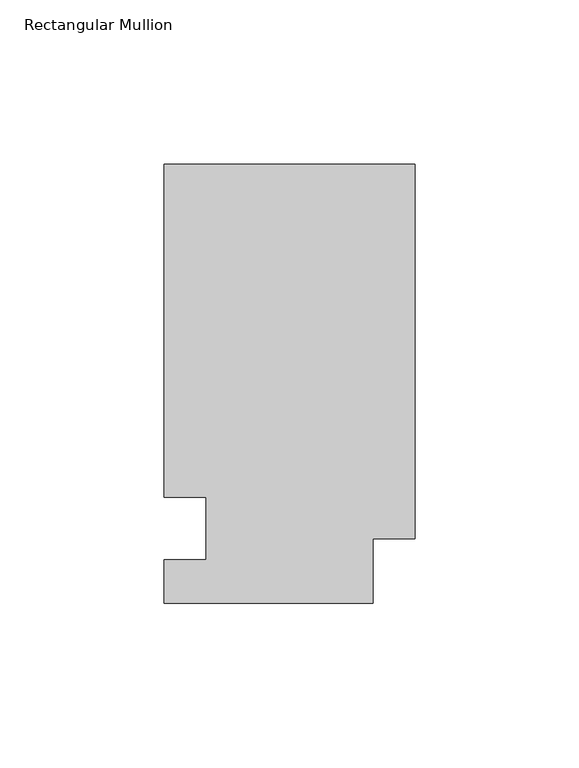
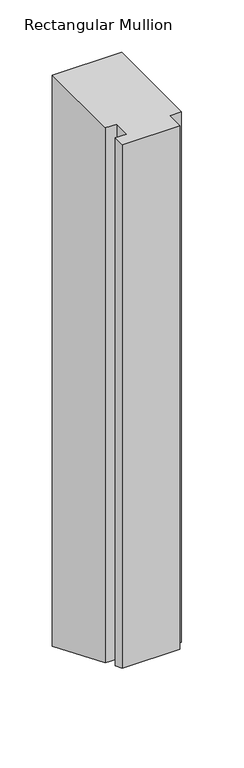
"""IFC4 building model written with IfcOpenShell, lengths in millimetres: member geometry, Rectangular Mullion."""

import ifcopenshell
import ifcopenshell.guid

model = None  # the IFC model being written
_history = None  # IfcOwnerHistory: only IFC2X3 demands one
_inside = {}  # id of a spatial element -> (the spatial element, [elements in it])
_under = {}  # id of a project, library or spatial element -> (it, [spatial elements below it])
_declared = {}  # id of a project -> (the project, [libraries it declares])
_typed = {}  # id of a type object -> (the type object, [elements of that type])
_made_of = {}  # id of a material, layer set ... -> (it, [elements and type objects made of it])


def new_model(schema):
    """Start an empty IFC model of exactly this schema.

    Asked for "IFC4X3", IfcOpenShell would pick the latest addendum, in which some entities
    have other attributes; the version numbers below select the first issue.
    IFC2X3 requires an IfcOwnerHistory on every rooted entity: one is made here for all.
    """
    global model, _history
    if schema == "IFC4X3":
        model = ifcopenshell.file(schema_version=(4, 3, 0, 0))
    else:
        model = ifcopenshell.file(schema=schema)
    _inside.clear()
    _under.clear()
    _declared.clear()
    _typed.clear()
    _made_of.clear()
    _history = None
    if model.schema == "IFC2X3":
        org = make("IfcOrganization", Name="unknown")
        user = make(
            "IfcPersonAndOrganization",
            ThePerson=make("IfcPerson", FamilyName="unknown"),
            TheOrganization=org,
        )
        app = make(
            "IfcApplication",
            ApplicationDeveloper=org,
            Version="unknown",
            ApplicationFullName="unknown",
            ApplicationIdentifier="unknown",
        )
        _history = make(
            "IfcOwnerHistory",
            OwningUser=user,
            OwningApplication=app,
            ChangeAction="ADDED",
            CreationDate=0,
        )
    return model


def make(cls, **values):
    """One entity of the class cls with the attributes given. An attribute that is None is left unset."""
    return model.create_entity(
        cls, **{name: value for name, value in values.items() if value is not None}
    )


def rooted(cls, **values):
    """An entity with a GlobalId (a new one), such as an element, a storey or a relation."""
    return make(cls, GlobalId=ifcopenshell.guid.new(), OwnerHistory=_history, **values)


def si_unit(unit_type, name, prefix=None):
    """IfcSIUnit, for example si_unit("LENGTHUNIT", "METRE", prefix="MILLI")."""
    return make("IfcSIUnit", UnitType=unit_type, Prefix=prefix, Name=name)


def assignment(units):
    """IfcUnitAssignment: the units of a project."""
    return None if units is None else make("IfcUnitAssignment", Units=units)


def point(xyz):
    """IfcCartesianPoint."""
    return None if xyz is None else make("IfcCartesianPoint", Coordinates=xyz)


def direction(xyz):
    """IfcDirection."""
    return None if xyz is None else make("IfcDirection", DirectionRatios=xyz)


def frame(location, z_axis=None, x_axis=None):
    """IfcAxis2Placement3D, a coordinate frame: its origin and axes. An axis left out is left unset."""
    return make(
        "IfcAxis2Placement3D",
        Location=point(location),
        Axis=direction(z_axis),
        RefDirection=direction(x_axis),
    )


def origin():
    """The frame at (0, 0, 0) with its axes left unset."""
    return frame((0.0, 0.0, 0.0))


def place(relative_to, where):
    """IfcLocalPlacement: puts the frame where relative to a parent placement (None: the world)."""
    return make(
        "IfcLocalPlacement", PlacementRelTo=relative_to, RelativePlacement=where
    )


def context(
    kind, dimensions, precision=None, world=None, true_north=None, identifier=None
):
    """IfcGeometricRepresentationContext, for example the 3D "Model" context."""
    return make(
        "IfcGeometricRepresentationContext",
        ContextIdentifier=identifier,
        ContextType=kind,
        CoordinateSpaceDimension=dimensions,
        Precision=precision,
        WorldCoordinateSystem=world,
        TrueNorth=true_north,
    )


def project(units=None, contexts=None):
    """IfcProject with its units and contexts."""
    return rooted(
        "IfcProject",
        Name="project",
        RepresentationContexts=contexts,
        UnitsInContext=assignment(units),
    )


def spatial(cls, under=None, at=None, **own):
    """A site, building, storey or space (cls), placed at a placement, below another one or the project."""
    s = rooted(cls, ObjectPlacement=at, **own)
    if under is not None:
        _under.setdefault(under.id(), (under, []))[1].append(s)
    return s


def faces_of(points, faces, orient=None, outer=None):
    """IfcFace entities. A face is a list of loops; a loop is a list of indices into points, from 0.

    orient and outer hold one flag for each loop. By default every Orientation is true, the
    first loop of a face is its IfcFaceOuterBound and the others are IfcFaceBound.
    """
    made = []
    for i, loops in enumerate(faces):
        bounds = []
        for j, loop in enumerate(loops):
            is_outer = j == 0 if outer is None else outer[i][j]
            bounds.append(
                make(
                    "IfcFaceOuterBound" if is_outer else "IfcFaceBound",
                    Bound=make("IfcPolyLoop", Polygon=[points[k] for k in loop]),
                    Orientation=True if orient is None else orient[i][j],
                )
            )
        made.append(make("IfcFace", Bounds=bounds))
    return made


def faceted_brep(points, faces, orient=None, outer=None, voids=None):
    """IfcFacetedBrep: a solid bounded by flat faces; with voids (closed shells), ...WithVoids."""
    shared = [point(p) for p in points]
    hull = make("IfcClosedShell", CfsFaces=faces_of(shared, faces, orient, outer))
    if voids is None:
        return make("IfcFacetedBrep", Outer=hull)
    return make(
        "IfcFacetedBrepWithVoids",
        Outer=hull,
        Voids=[
            make(cls, CfsFaces=faces_of(shared, fs, o, b)) for cls, fs, o, b in voids
        ],
    )


def shape(context_of_items, identifier, shape_type, items):
    """IfcShapeRepresentation: the items that make up one representation, for example the "Body"."""
    return make(
        "IfcShapeRepresentation",
        ContextOfItems=context_of_items,
        RepresentationIdentifier=identifier,
        RepresentationType=shape_type,
        Items=items,
    )


def source(mapping_origin, context_of_items, identifier, shape_type, items):
    """IfcRepresentationMap: a shape defined once, which mapped items show again and again."""
    return make(
        "IfcRepresentationMap",
        MappingOrigin=mapping_origin,
        MappedRepresentation=shape(context_of_items, identifier, shape_type, items),
    )


def transform(
    local_origin,
    x_axis=None,
    y_axis=None,
    z_axis=None,
    scale=None,
    scale2=None,
    scale3=None,
    uniform=True,
):
    """IfcCartesianTransformationOperator3D, or its non-uniform kind. x_axis, y_axis, z_axis: its Axis1, 2, 3."""
    if uniform:
        return make(
            "IfcCartesianTransformationOperator3D",
            Axis1=direction(x_axis),
            Axis2=direction(y_axis),
            LocalOrigin=point(local_origin),
            Scale=scale,
            Axis3=direction(z_axis),
        )
    return make(
        "IfcCartesianTransformationOperator3DnonUniform",
        Axis1=direction(x_axis),
        Axis2=direction(y_axis),
        LocalOrigin=point(local_origin),
        Scale=scale,
        Axis3=direction(z_axis),
        Scale2=scale2,
        Scale3=scale3,
    )


def mapped(mapping_source, mapping_target):
    """IfcMappedItem: shows the shape of a source again, moved by a transform."""
    return make(
        "IfcMappedItem", MappingSource=mapping_source, MappingTarget=mapping_target
    )


def made_of(thing, what):
    """Note that an element or type object is made of a material, layer set ...; save() writes the relation."""
    if what is not None:
        _made_of.setdefault(what.id(), (what, []))[1].append(thing)
    return thing


def element(
    cls,
    number,
    at=None,
    inside=None,
    cuts=None,
    type_object=None,
    material=None,
    context=None,
    identifier="Body",
    shape_type=None,
    held_by="IfcProductDefinitionShape",
    body=None,
    shapes=None,
    **own,
):
    """One element of the class cls, such as IfcWall. Its Tag is "e" and its number.

    at: its placement. inside: the storey or other place that contains it. cuts: it is an
    opening in that element (IfcRelVoidsElement). A single representation is given by context,
    identifier, shape_type and body (its items); several are given by shapes. held_by: the class
    of the entity that holds the representations. save() writes the other relations.
    """
    e = rooted(cls, Tag="e%d" % number, ObjectPlacement=at, **own)
    if body is not None:
        shapes = [shape(context, identifier, shape_type, body)]
    if shapes is not None:
        e.Representation = make(held_by, Representations=shapes)
    if inside is not None:
        _inside.setdefault(inside.id(), (inside, []))[1].append(e)
    if cuts is not None:
        rooted(
            "IfcRelVoidsElement", RelatingBuildingElement=cuts, RelatedOpeningElement=e
        )
    if type_object is not None:
        _typed.setdefault(type_object.id(), (type_object, []))[1].append(e)
    return made_of(e, material)


def aggregate(whole, parts):
    """IfcRelAggregates: a whole, such as a stair, and the parts it consists of."""
    return rooted("IfcRelAggregates", RelatingObject=whole, RelatedObjects=parts)


def save(model, path):
    """Write the relations noted so far, then the file.

    IfcRelAggregates (storeys below a building ...), IfcRelContainedInSpatialStructure (elements
    in a storey), IfcRelDefinesByType, IfcRelAssociatesMaterial and IfcRelDeclares: one each for
    every whole, place, type object, material and project.
    """
    for whole, parts in _under.values():
        aggregate(whole, parts)
    for where, things in _inside.values():
        rooted(
            "IfcRelContainedInSpatialStructure",
            RelatedElements=things,
            RelatingStructure=where,
        )
    for kind, things in _typed.values():
        rooted("IfcRelDefinesByType", RelatedObjects=things, RelatingType=kind)
    for what, things in _made_of.values():
        rooted("IfcRelAssociatesMaterial", RelatedObjects=things, RelatingMaterial=what)
    for by, libraries in _declared.values():
        rooted("IfcRelDeclares", RelatingContext=by, RelatedDefinitions=libraries)
    model.write(path)


def rectangular_mullion_9b120736(model_context):
    return source(origin(), model_context, "Body", "Brep", [
        faceted_brep([(0.0, 133.4396938, 0.0), (-76.2, 133.4396938, 0.0), (-76.2, 32.2460937, 0.0), (-63.5, 32.2460938, 0.0), (-63.5, 13.1960937, 0.0), (-76.2, 13.1960937, 0.0), (-76.2, 0.0134937, 0.0), (-12.7, 0.0134937, 0.0), (-12.7, 19.5460937, 0.0), (0.0, 19.5460937, 0.0), (0.0, 133.4396938, -664.8725309), (-76.2, 133.4396938, -664.8725309), (-76.2, 32.2460937, -622.9567694), (-63.5, 32.2460937, -622.9567694), (-63.5, 13.1960937, -615.066001), (-76.2, 13.1960937, -615.066001), (-76.2, 0.0134937, -609.6055893), (-12.7, 0.0134937, -609.6055893), (-12.7, 19.5460937, -617.6962571), (0.0, 19.5460937, -617.6962571)], [[[0, 1, 2, 3, 4, 5, 6, 7, 8, 9]], [[1, 0, 10, 11]], [[2, 1, 11, 12]], [[3, 2, 12, 13]], [[4, 3, 13, 14]], [[5, 4, 14, 15]], [[6, 5, 15, 16]], [[7, 6, 16, 17]], [[8, 7, 17, 18]], [[9, 8, 18, 19]], [[0, 9, 19, 10]], [[10, 19, 18, 17, 16, 15, 14, 13, 12, 11]]]),
    ])


if __name__ == "__main__":
    model = new_model("IFC4")
    model_context = context("Model", 3, world=origin())
    ifc_project = project(units=[si_unit("LENGTHUNIT", "METRE", prefix="MILLI")], contexts=[model_context])
    site = spatial("IfcSite", under=ifc_project)
    building = spatial("IfcBuilding", under=site)
    placement = place(None, origin())
    rectangular_mullion_shape = rectangular_mullion_9b120736(model_context)
    element("IfcMember", 1, ObjectType="Rectangular Mullion", at=placement, inside=building, context=model_context, shape_type="MappedRepresentation", body=[
        mapped(rectangular_mullion_shape, transform((0.0, 0.0, 0.0), x_axis=(1.0, 0.0, 0.0), y_axis=(0.0, 1.0, 0.0), z_axis=(0.0, 0.0, 1.0))),
    ])
    save(model, "model.ifc")
